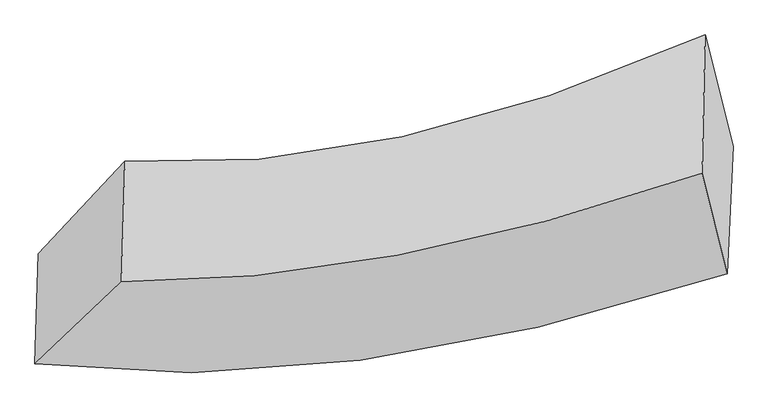
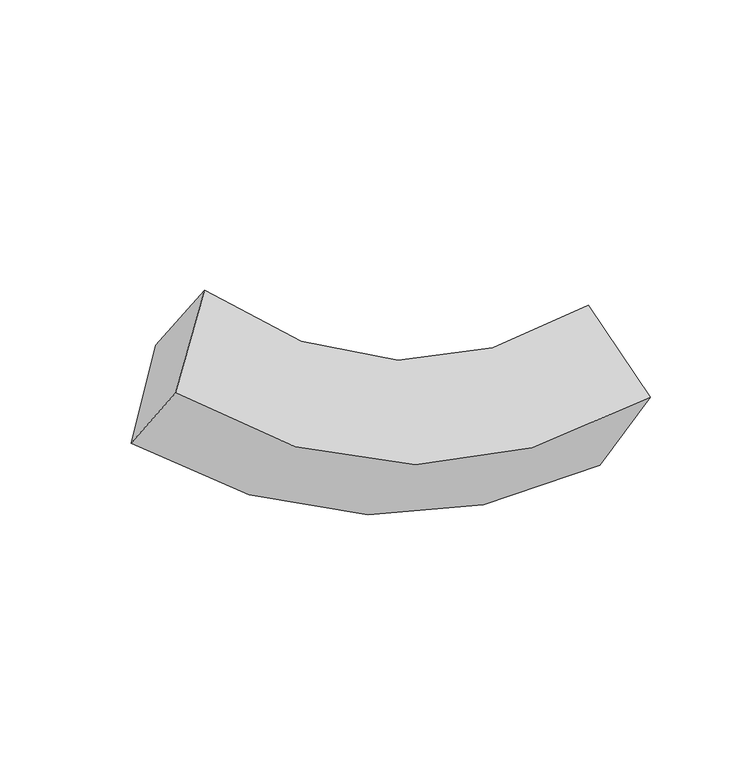
"""IFC4 building model written with IfcOpenShell, lengths in millimetres: proxy geometry."""

import ifcopenshell
import ifcopenshell.guid

model = None  # the IFC model being written
_history = None  # IfcOwnerHistory: only IFC2X3 demands one
_inside = {}  # id of a spatial element -> (the spatial element, [elements in it])
_under = {}  # id of a project, library or spatial element -> (it, [spatial elements below it])
_declared = {}  # id of a project -> (the project, [libraries it declares])
_typed = {}  # id of a type object -> (the type object, [elements of that type])
_made_of = {}  # id of a material, layer set ... -> (it, [elements and type objects made of it])


def new_model(schema):
    """Start an empty IFC model of exactly this schema.

    Asked for "IFC4X3", IfcOpenShell would pick the latest addendum, in which some entities
    have other attributes; the version numbers below select the first issue.
    IFC2X3 requires an IfcOwnerHistory on every rooted entity: one is made here for all.
    """
    global model, _history
    if schema == "IFC4X3":
        model = ifcopenshell.file(schema_version=(4, 3, 0, 0))
    else:
        model = ifcopenshell.file(schema=schema)
    _inside.clear()
    _under.clear()
    _declared.clear()
    _typed.clear()
    _made_of.clear()
    _history = None
    if model.schema == "IFC2X3":
        org = make("IfcOrganization", Name="unknown")
        user = make(
            "IfcPersonAndOrganization",
            ThePerson=make("IfcPerson", FamilyName="unknown"),
            TheOrganization=org,
        )
        app = make(
            "IfcApplication",
            ApplicationDeveloper=org,
            Version="unknown",
            ApplicationFullName="unknown",
            ApplicationIdentifier="unknown",
        )
        _history = make(
            "IfcOwnerHistory",
            OwningUser=user,
            OwningApplication=app,
            ChangeAction="ADDED",
            CreationDate=0,
        )
    return model


def make(cls, **values):
    """One entity of the class cls with the attributes given. An attribute that is None is left unset."""
    return model.create_entity(
        cls, **{name: value for name, value in values.items() if value is not None}
    )


def rooted(cls, **values):
    """An entity with a GlobalId (a new one), such as an element, a storey or a relation."""
    return make(cls, GlobalId=ifcopenshell.guid.new(), OwnerHistory=_history, **values)


def si_unit(unit_type, name, prefix=None):
    """IfcSIUnit, for example si_unit("LENGTHUNIT", "METRE", prefix="MILLI")."""
    return make("IfcSIUnit", UnitType=unit_type, Prefix=prefix, Name=name)


def assignment(units):
    """IfcUnitAssignment: the units of a project."""
    return None if units is None else make("IfcUnitAssignment", Units=units)


def point(xyz):
    """IfcCartesianPoint."""
    return None if xyz is None else make("IfcCartesianPoint", Coordinates=xyz)


def direction(xyz):
    """IfcDirection."""
    return None if xyz is None else make("IfcDirection", DirectionRatios=xyz)


def frame(location, z_axis=None, x_axis=None):
    """IfcAxis2Placement3D, a coordinate frame: its origin and axes. An axis left out is left unset."""
    return make(
        "IfcAxis2Placement3D",
        Location=point(location),
        Axis=direction(z_axis),
        RefDirection=direction(x_axis),
    )


def origin():
    """The frame at (0, 0, 0) with its axes left unset."""
    return frame((0.0, 0.0, 0.0))


def place(relative_to, where):
    """IfcLocalPlacement: puts the frame where relative to a parent placement (None: the world)."""
    return make(
        "IfcLocalPlacement", PlacementRelTo=relative_to, RelativePlacement=where
    )


def context(
    kind, dimensions, precision=None, world=None, true_north=None, identifier=None
):
    """IfcGeometricRepresentationContext, for example the 3D "Model" context."""
    return make(
        "IfcGeometricRepresentationContext",
        ContextIdentifier=identifier,
        ContextType=kind,
        CoordinateSpaceDimension=dimensions,
        Precision=precision,
        WorldCoordinateSystem=world,
        TrueNorth=true_north,
    )


def project(units=None, contexts=None):
    """IfcProject with its units and contexts."""
    return rooted(
        "IfcProject",
        Name="project",
        RepresentationContexts=contexts,
        UnitsInContext=assignment(units),
    )


def spatial(cls, under=None, at=None, **own):
    """A site, building, storey or space (cls), placed at a placement, below another one or the project."""
    s = rooted(cls, ObjectPlacement=at, **own)
    if under is not None:
        _under.setdefault(under.id(), (under, []))[1].append(s)
    return s


def shape(context_of_items, identifier, shape_type, items):
    """IfcShapeRepresentation: the items that make up one representation, for example the "Body"."""
    return make(
        "IfcShapeRepresentation",
        ContextOfItems=context_of_items,
        RepresentationIdentifier=identifier,
        RepresentationType=shape_type,
        Items=items,
    )


def source(mapping_origin, context_of_items, identifier, shape_type, items):
    """IfcRepresentationMap: a shape defined once, which mapped items show again and again."""
    return make(
        "IfcRepresentationMap",
        MappingOrigin=mapping_origin,
        MappedRepresentation=shape(context_of_items, identifier, shape_type, items),
    )


def transform(
    local_origin,
    x_axis=None,
    y_axis=None,
    z_axis=None,
    scale=None,
    scale2=None,
    scale3=None,
    uniform=True,
):
    """IfcCartesianTransformationOperator3D, or its non-uniform kind. x_axis, y_axis, z_axis: its Axis1, 2, 3."""
    if uniform:
        return make(
            "IfcCartesianTransformationOperator3D",
            Axis1=direction(x_axis),
            Axis2=direction(y_axis),
            LocalOrigin=point(local_origin),
            Scale=scale,
            Axis3=direction(z_axis),
        )
    return make(
        "IfcCartesianTransformationOperator3DnonUniform",
        Axis1=direction(x_axis),
        Axis2=direction(y_axis),
        LocalOrigin=point(local_origin),
        Scale=scale,
        Axis3=direction(z_axis),
        Scale2=scale2,
        Scale3=scale3,
    )


def mapped(mapping_source, mapping_target):
    """IfcMappedItem: shows the shape of a source again, moved by a transform."""
    return make(
        "IfcMappedItem", MappingSource=mapping_source, MappingTarget=mapping_target
    )


def made_of(thing, what):
    """Note that an element or type object is made of a material, layer set ...; save() writes the relation."""
    if what is not None:
        _made_of.setdefault(what.id(), (what, []))[1].append(thing)
    return thing


def element(
    cls,
    number,
    at=None,
    inside=None,
    cuts=None,
    type_object=None,
    material=None,
    context=None,
    identifier="Body",
    shape_type=None,
    held_by="IfcProductDefinitionShape",
    body=None,
    shapes=None,
    **own,
):
    """One element of the class cls, such as IfcWall. Its Tag is "e" and its number.

    at: its placement. inside: the storey or other place that contains it. cuts: it is an
    opening in that element (IfcRelVoidsElement). A single representation is given by context,
    identifier, shape_type and body (its items); several are given by shapes. held_by: the class
    of the entity that holds the representations. save() writes the other relations.
    """
    e = rooted(cls, Tag="e%d" % number, ObjectPlacement=at, **own)
    if body is not None:
        shapes = [shape(context, identifier, shape_type, body)]
    if shapes is not None:
        e.Representation = make(held_by, Representations=shapes)
    if inside is not None:
        _inside.setdefault(inside.id(), (inside, []))[1].append(e)
    if cuts is not None:
        rooted(
            "IfcRelVoidsElement", RelatingBuildingElement=cuts, RelatedOpeningElement=e
        )
    if type_object is not None:
        _typed.setdefault(type_object.id(), (type_object, []))[1].append(e)
    return made_of(e, material)


def aggregate(whole, parts):
    """IfcRelAggregates: a whole, such as a stair, and the parts it consists of."""
    return rooted("IfcRelAggregates", RelatingObject=whole, RelatedObjects=parts)


def save(model, path):
    """Write the relations noted so far, then the file.

    IfcRelAggregates (storeys below a building ...), IfcRelContainedInSpatialStructure (elements
    in a storey), IfcRelDefinesByType, IfcRelAssociatesMaterial and IfcRelDeclares: one each for
    every whole, place, type object, material and project.
    """
    for whole, parts in _under.values():
        aggregate(whole, parts)
    for where, things in _inside.values():
        rooted(
            "IfcRelContainedInSpatialStructure",
            RelatedElements=things,
            RelatingStructure=where,
        )
    for kind, things in _typed.values():
        rooted("IfcRelDefinesByType", RelatedObjects=things, RelatingType=kind)
    for what, things in _made_of.values():
        rooted("IfcRelAssociatesMaterial", RelatedObjects=things, RelatingMaterial=what)
    for by, libraries in _declared.values():
        rooted("IfcRelDeclares", RelatingContext=by, RelatedDefinitions=libraries)
    model.write(path)


def plane_surface(at):
    """IfcPlane: the flat surface through the origin of the frame at, square to its z axis."""
    return make("IfcPlane", Position=at)


def spline_curve(degree, points, multiplicities, knots, weights=None):
    """IfcBSplineCurveWithKnots; with weights, IfcRationalBSplineCurveWithKnots."""
    own = dict(
        Degree=degree,
        ControlPointsList=[point(p) for p in points],
        CurveForm="UNSPECIFIED",
        ClosedCurve=False,
        SelfIntersect=False,
        KnotMultiplicities=multiplicities,
        Knots=knots,
        KnotSpec="UNSPECIFIED",
    )
    if weights is None:
        return make("IfcBSplineCurveWithKnots", **own)
    return make("IfcRationalBSplineCurveWithKnots", WeightsData=weights, **own)


def spline_surface(u_degree, v_degree, points, u_multiplicities, v_multiplicities, u_knots, v_knots, weights=None):
    """IfcBSplineSurfaceWithKnots; with weights, IfcRationalBSplineSurfaceWithKnots. points: one row for each step in u."""
    own = dict(
        UDegree=u_degree,
        VDegree=v_degree,
        ControlPointsList=[[point(p) for p in row] for row in points],
        SurfaceForm="UNSPECIFIED",
        UClosed=False,
        VClosed=False,
        SelfIntersect=False,
        UMultiplicities=u_multiplicities,
        VMultiplicities=v_multiplicities,
        UKnots=u_knots,
        VKnots=v_knots,
        KnotSpec="UNSPECIFIED",
    )
    if weights is None:
        return make("IfcBSplineSurfaceWithKnots", **own)
    return make("IfcRationalBSplineSurfaceWithKnots", WeightsData=weights, **own)


def advanced_brep(points, edges, surfaces, faces):
    """IfcAdvancedBrep: a solid bounded by faces that lie on surfaces and meet in shared edges.

    An edge is (start, end): straight between two places in points (the first is 0);
    or (start, end, curve); or (start, end, curve, False) where it runs against its curve.
    A face is (place in surfaces, loops), or (place, loops, False) where it looks against
    its surface's normal. A loop lists edges by number (the first is 1), with a minus sign
    where the edge is run from its end to its start. The first loop is the outer one.
    """
    corners = [point(p) for p in points]
    vertices = [make("IfcVertexPoint", VertexGeometry=c) for c in corners]
    made = []
    for start, end, *more in edges:
        made.append(
            make(
                "IfcEdgeCurve",
                EdgeStart=vertices[start],
                EdgeEnd=vertices[end],
                EdgeGeometry=more[0] if more else make("IfcPolyline", Points=[corners[start], corners[end]]),
                SameSense=more[1] if len(more) > 1 else True,
            )
        )
    hull = []
    for where, loops, *sense in faces:
        bounds = []
        for j, loop in enumerate(loops):
            ring = [make("IfcOrientedEdge", EdgeElement=made[abs(k) - 1], Orientation=k > 0) for k in loop]
            bounds.append(
                make(
                    "IfcFaceOuterBound" if j == 0 else "IfcFaceBound",
                    Bound=make("IfcEdgeLoop", EdgeList=ring),
                    Orientation=True,
                )
            )
        hull.append(make("IfcAdvancedFace", Bounds=bounds, FaceSurface=surfaces[where], SameSense=sense[0] if sense else True))
    return make("IfcAdvancedBrep", Outer=make("IfcClosedShell", CfsFaces=hull))


def generic_models_7bff76c7(model_context):
    return source(origin(), model_context, "Body", "AdvancedBrep", [
        advanced_brep(
        [(11348.5201391, -2783.768777, 477.6776154), (11322.0769189, -3372.5777261, 1292.9727401), (8125.7833846, -3788.2265389, 2691.1386138), (8140.5750086, -3280.9329394, 2047.0622117), (11205.3356042, -2908.9334458, 1655.4716322), (8525.1152518, -3409.9316843, 2998.2657257), (11219.2242688, -2270.2634177, 879.1602428), (8541.3499611, -2853.1460264, 2291.3526014)],
        [
            (0, 1),
            (1, 2, spline_curve(3, [(11322.0769189, -3372.5777261, 1292.9727401), (10719.605329338, -3568.29733996, 1324.438722987), (10155.062277881, -3701.183350763, 1453.798017151), (9087.545003463, -3843.188847657, 1914.469107053), (8586.656876642, -3848.852440884, 2251.165104261), (8125.7833846, -3788.2265389, 2691.1386138)], [4, 2, 4], [0.0, 5.890641377237241, 11.941109241385956])),
            (2, 3),
            (3, 0, spline_curve(3, [(8140.5750086, -3280.9329394, 2047.0622117), (8603.301810378, -3328.315015234, 1620.547803755), (9106.101321211, -3309.142136381, 1275.838554435), (10177.50548878, -3139.95101702, 756.975131512), (10744.021021211, -2993.402508545, 578.556182037), (11348.5201391, -2783.768777, 477.6776154)], [4, 2, 4], [0.0, 6.050467864148715, 11.941109241385956])),
            (1, 4),
            (4, 5, spline_curve(3, [(11205.3356042, -2908.9334458, 1655.4716322), (10710.14077225, -3077.881874106, 1678.660157374), (10241.816593414, -3204.126464165, 1799.333706933), (9346.931904235, -3373.474618074, 2241.569993145), (8921.849299077, -3414.229440959, 2568.494474612), (8525.1152518, -3409.9316843, 2998.2657257)], [4, 2, 4], [0.0, 5.444918611071025, 11.037570237512702])),
            (5, 2),
            (4, 6),
            (6, 7, spline_curve(3, [(11219.2242688, -2270.2634177, 879.1602428), (10727.846735842, -2486.356364461, 962.076737022), (10261.647057936, -2643.130973528, 1118.643401364), (9367.637489012, -2840.687726787, 1585.32337632), (8941.212397584, -2878.207320572, 1899.487498166), (8541.3499611, -2853.1460264, 2291.3526014)], [4, 2, 4], [0.0, 5.077210876306685, 10.292178021532497])),
            (7, 5),
            (6, 0),
            (3, 7),
        ],
        [
            spline_surface(3, 3, [[(11348.5201391, -2783.768777, 477.6776154), (10744.021021274, -2993.402508641, 578.556181995), (10177.505488734, -3139.95101708, 756.975131461), (9106.101321258, -3309.142136319, 1275.838554488), (8603.301810304, -3328.315015321, 1620.547803794), (8140.5750086, -3280.9329394, 2047.0622117)], [(11339.705732357, -2980.038426714, 749.442656975), (10735.882457257, -3185.034119094, 827.183695658), (10170.02441847, -3327.028461657, 989.249426652), (9099.915882005, -3487.157706724, 1488.715405368), (8597.753499103, -3501.827490524, 1830.753570639), (8135.644467271, -3450.030805884, 2261.754345752)], [(11330.891325643, -3176.308076386, 1021.207698525), (10727.743893268, -3376.665729503, 1075.811209295), (10162.543348157, -3514.105906271, 1221.523721865), (9093.730442703, -3665.173277165, 1701.59225627), (8592.205187888, -3675.339965776, 2040.959337427), (8130.713925929, -3619.128672416, 2476.446479748)], [(11322.0769189, -3372.5777261, 1292.9727401), (10719.605329251, -3568.297339955, 1324.438722959), (10155.062277893, -3701.183350848, 1453.798017056), (9087.54500345, -3843.18884757, 1914.46910715), (8586.656876686, -3848.85244098, 2251.165104271), (8125.7833846, -3788.2265389, 2691.1386138)]], [4, 4], [4, 2, 4], [0.0, 2.8313540270061472], [0.0, 5.890641377237241, 11.941109241385956]),
            spline_surface(3, 3, [[(11322.0769189, -3372.5777261, 1292.9727401), (10719.605329251, -3568.297339955, 1324.438722959), (10155.062277893, -3701.183350848, 1453.798017056), (9087.54500345, -3843.18884757, 1914.46910715), (8586.656876686, -3848.85244098, 2251.165104271), (8125.7833846, -3788.2265389, 2691.1386138)], [(11283.163147334, -3218.029632658, 1413.805704129), (10716.450476912, -3404.825517978, 1442.512534426), (10183.980383029, -3535.497721928, 1568.976580388), (9174.007303735, -3686.61743776, 2023.502735816), (8698.387684149, -3703.978107642, 2356.941561054), (8258.894006992, -3662.128254048, 2793.514317772)], [(11244.249375766, -3063.481539242, 1534.638668171), (10713.295624572, -3241.353696025, 1560.586345908), (10212.898488188, -3369.812093014, 1684.155143659), (9260.469604042, -3530.046027957, 2132.53636442), (8810.118491634, -3559.103774262, 2462.718017821), (8392.004629408, -3536.029969152, 2895.890021728)], [(11205.3356042, -2908.9334458, 1655.4716322), (10710.140772233, -3077.881874048, 1678.660157376), (10241.816593325, -3204.126464094, 1799.33370699), (9346.931904327, -3373.474618147, 2241.569993086), (8921.849299097, -3414.229440924, 2568.494474604), (8525.1152518, -3409.9316843, 2998.2657257)]], [4, 4], [4, 2, 4], [0.0, 2.0144398362435476], [0.0, 5.444918611071025, 11.037570237512702]),
            spline_surface(3, 3, [[(11205.3356042, -2908.9334458, 1655.4716322), (10710.140772233, -3077.881874048, 1678.660157376), (10241.816593325, -3204.126464094, 1799.33370699), (9346.931904327, -3373.474618147, 2241.569993086), (8921.849299097, -3414.229440924, 2568.494474604), (8525.1152518, -3409.9316843, 2998.2657257)], [(11209.96515906, -2696.043436409, 1396.701169064), (10716.04276007, -2880.706704136, 1439.799017262), (10248.426748223, -3017.12796722, 1572.436938455), (9353.833765879, -3195.878987693, 2022.821120825), (8928.303665218, -3235.555400791, 2345.492149107), (8530.526821551, -3224.336464989, 2762.628017594)], [(11214.59471394, -2483.153427091, 1137.930705936), (10721.944747928, -2683.531534296, 1200.937877154), (10255.036903093, -2830.129470376, 1345.540169917), (9360.735627403, -3018.283357268, 1804.072248562), (8934.758031386, -3056.881360693, 2122.48982363), (8535.938391349, -3038.741245711, 2526.990309506)], [(11219.2242688, -2270.2634177, 879.1602428), (10727.846735765, -2486.356364384, 962.07673704), (10261.647057992, -2643.130973502, 1118.643401381), (9367.637488955, -2840.687726814, 1585.323376302), (8941.212397507, -2878.20732056, 1899.487498134), (8541.3499611, -2853.1460264, 2291.3526014)]], [4, 4], [4, 2, 4], [0.0, 2.8328086744928602], [0.0, 5.077210876306685, 10.292178021532497]),
            spline_surface(3, 3, [[(11219.2242688, -2270.2634177, 879.1602428), (10727.846735765, -2486.356364384, 962.07673704), (10261.647057992, -2643.130973502, 1118.643401381), (9367.637488955, -2840.687726814, 1585.323376302), (8941.212397507, -2878.20732056, 1899.487498134), (8541.3499611, -2853.1460264, 2291.3526014)], [(11262.322892249, -2441.431870818, 745.332700332), (10733.238164284, -2655.371745821, 834.236552023), (10233.599868221, -2808.737654719, 998.087311394), (9280.458766371, -2996.839196673, 1482.161769016), (8828.575535125, -3028.243218827, 1806.507600003), (8407.758310285, -2995.74166408, 2209.922471482)], [(11305.421515651, -2612.600323882, 611.505157868), (10738.629592755, -2824.387127204, 706.396367011), (10205.552678504, -2974.344335863, 877.531221448), (9193.280043842, -3152.99066646, 1379.000161773), (8715.938672686, -3178.279117054, 1713.527701925), (8274.166659415, -3138.33730172, 2128.492341618)], [(11348.5201391, -2783.768777, 477.6776154), (10744.021021274, -2993.402508641, 578.556181995), (10177.505488734, -3139.95101708, 756.975131461), (9106.101321258, -3309.142136319, 1275.838554488), (8603.301810304, -3328.315015321, 1620.547803794), (8140.5750086, -3280.9329394, 2047.0622117)]], [4, 4], [4, 2, 4], [0.0, 2.010192439919148], [0.0, 5.522374468801802, 11.194583506411147]),
            plane_surface(frame((8333.2059015, -3333.0592973, 2506.9547882), z_axis=(-0.7732373344362384, 0.5066650039356813, 0.3813064363747316), x_axis=(0.018038565836731753, 0.6186507310382359, -0.7854590270207673))),
            plane_surface(frame((11273.7892328, -2833.8858417, 1076.3205576), z_axis=(0.9807229831632251, 0.14192759887672185, 0.1343092959273966), x_axis=(-0.1945688578318182, 0.7727404672093658, 0.6041648201435375))),
        ],
        [
            (0, [[1, 2, 3, 4]]),
            (1, [[5, 6, 7, -2]]),
            (2, [[8, 9, 10, -6]]),
            (3, [[11, -4, 12, -9]]),
            (4, [[-10, -12, -3, -7]]),
            (5, [[-11, -8, -5, -1]]),
        ],
    ),
    ])


if __name__ == "__main__":
    model = new_model("IFC4")
    model_context = context("Model", 3, world=origin())
    ifc_project = project(units=[si_unit("LENGTHUNIT", "METRE", prefix="MILLI")], contexts=[model_context])
    site = spatial("IfcSite", under=ifc_project)
    building = spatial("IfcBuilding", under=site)
    placement = place(None, origin())
    generic_models_shape = generic_models_7bff76c7(model_context)
    element("IfcBuildingElementProxy", 1, Name="Generic Models", at=placement, inside=building, context=model_context, shape_type="MappedRepresentation", body=[
        mapped(generic_models_shape, transform((0.0, 0.0, 0.0), x_axis=(1.0, 0.0, 0.0), y_axis=(0.0, 1.0, 0.0), z_axis=(0.0, 0.0, 1.0))),
    ])
    save(model, "model.ifc")
